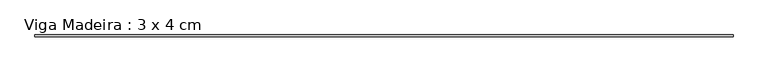
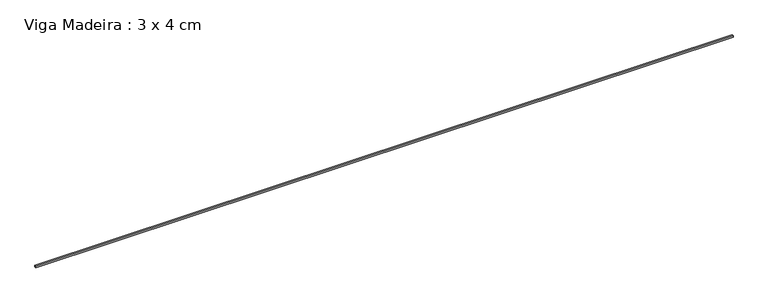
"""IFC4 building model written with IfcOpenShell, lengths in millimetres: beam geometry, Viga Madeira : 3 x 4 cm."""

from ifc_helpers import new_model, si_unit, frame, origin, place, context, project, spatial, polyline, outline, extrude, source, transform, mapped, element, save


def viga_madeira_3_x_4_cm_afc41741(model_context):
    return source(origin(), model_context, "Body", "SweptSolid", [
        extrude(outline(polyline([(7696.1254102, 20.0), (7696.1254102, -20.0), (-7696.1254102, -20.0), (-7696.1254102, 20.0), (7696.1254102, 20.0)])), frame((0.0, 0.0, -15.0), z_axis=(0.0, 0.0, 1.0), x_axis=(1.0, 0.0, 0.0)), (0.0, 0.0, 1.0), 30.0),
    ])


if __name__ == "__main__":
    model = new_model("IFC4")
    model_context = context("Model", 3, world=origin())
    ifc_project = project(units=[si_unit("LENGTHUNIT", "METRE", prefix="MILLI")], contexts=[model_context])
    site = spatial("IfcSite", under=ifc_project)
    building = spatial("IfcBuilding", under=site)
    placement = place(None, origin())
    viga_madeira_3_x_4_cm_shape = viga_madeira_3_x_4_cm_afc41741(model_context)
    element("IfcBeam", 1, ObjectType="Viga Madeira : 3 x 4 cm", at=placement, inside=building, context=model_context, shape_type="MappedRepresentation", body=[
        mapped(viga_madeira_3_x_4_cm_shape, transform((0.0, 0.0, 0.0), x_axis=(1.0, 0.0, 0.0), y_axis=(0.0, 1.0, 0.0), z_axis=(0.0, 0.0, 1.0))),
    ])
    save(model, "model.ifc")
